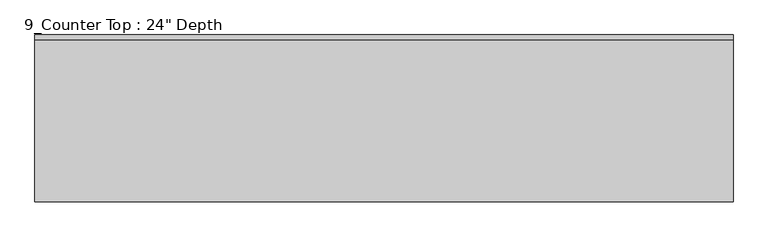
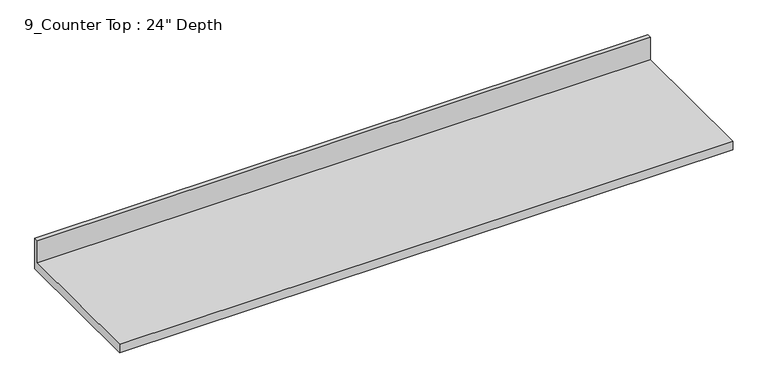
"""IFC4 building model written with IfcOpenShell, lengths in millimetres: furniture geometry."""

import ifcopenshell
import ifcopenshell.guid

model = None  # the IFC model being written
_history = None  # IfcOwnerHistory: only IFC2X3 demands one
_inside = {}  # id of a spatial element -> (the spatial element, [elements in it])
_under = {}  # id of a project, library or spatial element -> (it, [spatial elements below it])
_declared = {}  # id of a project -> (the project, [libraries it declares])
_typed = {}  # id of a type object -> (the type object, [elements of that type])
_made_of = {}  # id of a material, layer set ... -> (it, [elements and type objects made of it])


def new_model(schema):
    """Start an empty IFC model of exactly this schema.

    Asked for "IFC4X3", IfcOpenShell would pick the latest addendum, in which some entities
    have other attributes; the version numbers below select the first issue.
    IFC2X3 requires an IfcOwnerHistory on every rooted entity: one is made here for all.
    """
    global model, _history
    if schema == "IFC4X3":
        model = ifcopenshell.file(schema_version=(4, 3, 0, 0))
    else:
        model = ifcopenshell.file(schema=schema)
    _inside.clear()
    _under.clear()
    _declared.clear()
    _typed.clear()
    _made_of.clear()
    _history = None
    if model.schema == "IFC2X3":
        org = make("IfcOrganization", Name="unknown")
        user = make(
            "IfcPersonAndOrganization",
            ThePerson=make("IfcPerson", FamilyName="unknown"),
            TheOrganization=org,
        )
        app = make(
            "IfcApplication",
            ApplicationDeveloper=org,
            Version="unknown",
            ApplicationFullName="unknown",
            ApplicationIdentifier="unknown",
        )
        _history = make(
            "IfcOwnerHistory",
            OwningUser=user,
            OwningApplication=app,
            ChangeAction="ADDED",
            CreationDate=0,
        )
    return model


def make(cls, **values):
    """One entity of the class cls with the attributes given. An attribute that is None is left unset."""
    return model.create_entity(
        cls, **{name: value for name, value in values.items() if value is not None}
    )


def rooted(cls, **values):
    """An entity with a GlobalId (a new one), such as an element, a storey or a relation."""
    return make(cls, GlobalId=ifcopenshell.guid.new(), OwnerHistory=_history, **values)


def si_unit(unit_type, name, prefix=None):
    """IfcSIUnit, for example si_unit("LENGTHUNIT", "METRE", prefix="MILLI")."""
    return make("IfcSIUnit", UnitType=unit_type, Prefix=prefix, Name=name)


def assignment(units):
    """IfcUnitAssignment: the units of a project."""
    return None if units is None else make("IfcUnitAssignment", Units=units)


def point(xyz):
    """IfcCartesianPoint."""
    return None if xyz is None else make("IfcCartesianPoint", Coordinates=xyz)


def direction(xyz):
    """IfcDirection."""
    return None if xyz is None else make("IfcDirection", DirectionRatios=xyz)


def frame(location, z_axis=None, x_axis=None):
    """IfcAxis2Placement3D, a coordinate frame: its origin and axes. An axis left out is left unset."""
    return make(
        "IfcAxis2Placement3D",
        Location=point(location),
        Axis=direction(z_axis),
        RefDirection=direction(x_axis),
    )


def origin():
    """The frame at (0, 0, 0) with its axes left unset."""
    return frame((0.0, 0.0, 0.0))


def place(relative_to, where):
    """IfcLocalPlacement: puts the frame where relative to a parent placement (None: the world)."""
    return make(
        "IfcLocalPlacement", PlacementRelTo=relative_to, RelativePlacement=where
    )


def context(
    kind, dimensions, precision=None, world=None, true_north=None, identifier=None
):
    """IfcGeometricRepresentationContext, for example the 3D "Model" context."""
    return make(
        "IfcGeometricRepresentationContext",
        ContextIdentifier=identifier,
        ContextType=kind,
        CoordinateSpaceDimension=dimensions,
        Precision=precision,
        WorldCoordinateSystem=world,
        TrueNorth=true_north,
    )


def project(units=None, contexts=None):
    """IfcProject with its units and contexts."""
    return rooted(
        "IfcProject",
        Name="project",
        RepresentationContexts=contexts,
        UnitsInContext=assignment(units),
    )


def spatial(cls, under=None, at=None, **own):
    """A site, building, storey or space (cls), placed at a placement, below another one or the project."""
    s = rooted(cls, ObjectPlacement=at, **own)
    if under is not None:
        _under.setdefault(under.id(), (under, []))[1].append(s)
    return s


def polyline(points):
    """IfcPolyline through the points."""
    return make("IfcPolyline", Points=[point(p) for p in points])


def outline(outer, holes=None, kind="AREA"):
    """IfcArbitraryClosedProfileDef: a profile drawn as a closed curve; with holes, ...WithVoids."""
    if holes is None:
        return make("IfcArbitraryClosedProfileDef", ProfileType=kind, OuterCurve=outer)
    return make(
        "IfcArbitraryProfileDefWithVoids",
        ProfileType=kind,
        OuterCurve=outer,
        InnerCurves=holes,
    )


def extrude(swept, where, along, depth):
    """IfcExtrudedAreaSolid: the profile swept, set in the frame where, extruded along a direction by depth."""
    return make(
        "IfcExtrudedAreaSolid",
        SweptArea=swept,
        Position=where,
        ExtrudedDirection=direction(along),
        Depth=depth,
    )


def shape(context_of_items, identifier, shape_type, items):
    """IfcShapeRepresentation: the items that make up one representation, for example the "Body"."""
    return make(
        "IfcShapeRepresentation",
        ContextOfItems=context_of_items,
        RepresentationIdentifier=identifier,
        RepresentationType=shape_type,
        Items=items,
    )


def source(mapping_origin, context_of_items, identifier, shape_type, items):
    """IfcRepresentationMap: a shape defined once, which mapped items show again and again."""
    return make(
        "IfcRepresentationMap",
        MappingOrigin=mapping_origin,
        MappedRepresentation=shape(context_of_items, identifier, shape_type, items),
    )


def transform(
    local_origin,
    x_axis=None,
    y_axis=None,
    z_axis=None,
    scale=None,
    scale2=None,
    scale3=None,
    uniform=True,
):
    """IfcCartesianTransformationOperator3D, or its non-uniform kind. x_axis, y_axis, z_axis: its Axis1, 2, 3."""
    if uniform:
        return make(
            "IfcCartesianTransformationOperator3D",
            Axis1=direction(x_axis),
            Axis2=direction(y_axis),
            LocalOrigin=point(local_origin),
            Scale=scale,
            Axis3=direction(z_axis),
        )
    return make(
        "IfcCartesianTransformationOperator3DnonUniform",
        Axis1=direction(x_axis),
        Axis2=direction(y_axis),
        LocalOrigin=point(local_origin),
        Scale=scale,
        Axis3=direction(z_axis),
        Scale2=scale2,
        Scale3=scale3,
    )


def mapped(mapping_source, mapping_target):
    """IfcMappedItem: shows the shape of a source again, moved by a transform."""
    return make(
        "IfcMappedItem", MappingSource=mapping_source, MappingTarget=mapping_target
    )


def made_of(thing, what):
    """Note that an element or type object is made of a material, layer set ...; save() writes the relation."""
    if what is not None:
        _made_of.setdefault(what.id(), (what, []))[1].append(thing)
    return thing


def element(
    cls,
    number,
    at=None,
    inside=None,
    cuts=None,
    type_object=None,
    material=None,
    context=None,
    identifier="Body",
    shape_type=None,
    held_by="IfcProductDefinitionShape",
    body=None,
    shapes=None,
    **own,
):
    """One element of the class cls, such as IfcWall. Its Tag is "e" and its number.

    at: its placement. inside: the storey or other place that contains it. cuts: it is an
    opening in that element (IfcRelVoidsElement). A single representation is given by context,
    identifier, shape_type and body (its items); several are given by shapes. held_by: the class
    of the entity that holds the representations. save() writes the other relations.
    """
    e = rooted(cls, Tag="e%d" % number, ObjectPlacement=at, **own)
    if body is not None:
        shapes = [shape(context, identifier, shape_type, body)]
    if shapes is not None:
        e.Representation = make(held_by, Representations=shapes)
    if inside is not None:
        _inside.setdefault(inside.id(), (inside, []))[1].append(e)
    if cuts is not None:
        rooted(
            "IfcRelVoidsElement", RelatingBuildingElement=cuts, RelatedOpeningElement=e
        )
    if type_object is not None:
        _typed.setdefault(type_object.id(), (type_object, []))[1].append(e)
    return made_of(e, material)


def aggregate(whole, parts):
    """IfcRelAggregates: a whole, such as a stair, and the parts it consists of."""
    return rooted("IfcRelAggregates", RelatingObject=whole, RelatedObjects=parts)


def save(model, path):
    """Write the relations noted so far, then the file.

    IfcRelAggregates (storeys below a building ...), IfcRelContainedInSpatialStructure (elements
    in a storey), IfcRelDefinesByType, IfcRelAssociatesMaterial and IfcRelDeclares: one each for
    every whole, place, type object, material and project.
    """
    for whole, parts in _under.values():
        aggregate(whole, parts)
    for where, things in _inside.values():
        rooted(
            "IfcRelContainedInSpatialStructure",
            RelatedElements=things,
            RelatingStructure=where,
        )
    for kind, things in _typed.values():
        rooted("IfcRelDefinesByType", RelatedObjects=things, RelatingType=kind)
    for what, things in _made_of.values():
        rooted("IfcRelAssociatesMaterial", RelatedObjects=things, RelatingMaterial=what)
    for by, libraries in _declared.values():
        rooted("IfcRelDeclares", RelatingContext=by, RelatedDefinitions=libraries)
    model.write(path)


def furniture_2fa5c605(model_context):
    return source(origin(), model_context, "Body", "SweptSolid", [
        extrude(outline(polyline([(0.0, 1016.0), (0.0, 876.3), (-635.0, 876.3), (-635.0, 914.4), (-19.05, 914.4), (-19.05, 1016.0), (0.0, 1016.0)])), frame((-1200.4622951, 0.0, 0.0), z_axis=(1.0, 0.0, 0.0), x_axis=(0.0, 1.0, 0.0)), (0.0, 0.0, 1.0), 2657.5971093),
    ])


if __name__ == "__main__":
    model = new_model("IFC4")
    model_context = context("Model", 3, world=origin())
    ifc_project = project(units=[si_unit("LENGTHUNIT", "METRE", prefix="MILLI")], contexts=[model_context])
    site = spatial("IfcSite", under=ifc_project)
    building = spatial("IfcBuilding", under=site)
    placement = place(None, origin())
    furniture_shape = furniture_2fa5c605(model_context)
    element("IfcFurniture", 1, ObjectType="9_Counter Top : 24\" Depth", at=placement, inside=building, context=model_context, shape_type="MappedRepresentation", body=[
        mapped(furniture_shape, transform((0.0, 0.0, 0.0), x_axis=(1.0, 0.0, 0.0), y_axis=(0.0, 1.0, 0.0), z_axis=(0.0, 0.0, 1.0))),
    ])
    save(model, "model.ifc")
